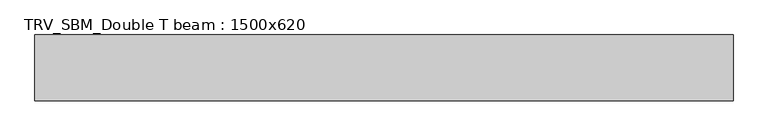
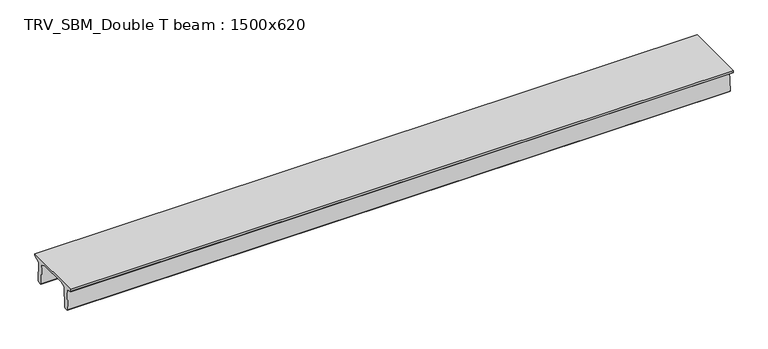
"""IFC4 building model written with IfcOpenShell, lengths in millimetres: beam geometry, TRV_SBM_Double T beam : 1500x620."""

import ifcopenshell
import ifcopenshell.guid

model = None  # the IFC model being written
_history = None  # IfcOwnerHistory: only IFC2X3 demands one
_inside = {}  # id of a spatial element -> (the spatial element, [elements in it])
_under = {}  # id of a project, library or spatial element -> (it, [spatial elements below it])
_declared = {}  # id of a project -> (the project, [libraries it declares])
_typed = {}  # id of a type object -> (the type object, [elements of that type])
_made_of = {}  # id of a material, layer set ... -> (it, [elements and type objects made of it])


def new_model(schema):
    """Start an empty IFC model of exactly this schema.

    Asked for "IFC4X3", IfcOpenShell would pick the latest addendum, in which some entities
    have other attributes; the version numbers below select the first issue.
    IFC2X3 requires an IfcOwnerHistory on every rooted entity: one is made here for all.
    """
    global model, _history
    if schema == "IFC4X3":
        model = ifcopenshell.file(schema_version=(4, 3, 0, 0))
    else:
        model = ifcopenshell.file(schema=schema)
    _inside.clear()
    _under.clear()
    _declared.clear()
    _typed.clear()
    _made_of.clear()
    _history = None
    if model.schema == "IFC2X3":
        org = make("IfcOrganization", Name="unknown")
        user = make(
            "IfcPersonAndOrganization",
            ThePerson=make("IfcPerson", FamilyName="unknown"),
            TheOrganization=org,
        )
        app = make(
            "IfcApplication",
            ApplicationDeveloper=org,
            Version="unknown",
            ApplicationFullName="unknown",
            ApplicationIdentifier="unknown",
        )
        _history = make(
            "IfcOwnerHistory",
            OwningUser=user,
            OwningApplication=app,
            ChangeAction="ADDED",
            CreationDate=0,
        )
    return model


def make(cls, **values):
    """One entity of the class cls with the attributes given. An attribute that is None is left unset."""
    return model.create_entity(
        cls, **{name: value for name, value in values.items() if value is not None}
    )


def rooted(cls, **values):
    """An entity with a GlobalId (a new one), such as an element, a storey or a relation."""
    return make(cls, GlobalId=ifcopenshell.guid.new(), OwnerHistory=_history, **values)


def si_unit(unit_type, name, prefix=None):
    """IfcSIUnit, for example si_unit("LENGTHUNIT", "METRE", prefix="MILLI")."""
    return make("IfcSIUnit", UnitType=unit_type, Prefix=prefix, Name=name)


def assignment(units):
    """IfcUnitAssignment: the units of a project."""
    return None if units is None else make("IfcUnitAssignment", Units=units)


def point(xyz):
    """IfcCartesianPoint."""
    return None if xyz is None else make("IfcCartesianPoint", Coordinates=xyz)


def direction(xyz):
    """IfcDirection."""
    return None if xyz is None else make("IfcDirection", DirectionRatios=xyz)


def frame(location, z_axis=None, x_axis=None):
    """IfcAxis2Placement3D, a coordinate frame: its origin and axes. An axis left out is left unset."""
    return make(
        "IfcAxis2Placement3D",
        Location=point(location),
        Axis=direction(z_axis),
        RefDirection=direction(x_axis),
    )


def origin():
    """The frame at (0, 0, 0) with its axes left unset."""
    return frame((0.0, 0.0, 0.0))


def place(relative_to, where):
    """IfcLocalPlacement: puts the frame where relative to a parent placement (None: the world)."""
    return make(
        "IfcLocalPlacement", PlacementRelTo=relative_to, RelativePlacement=where
    )


def context(
    kind, dimensions, precision=None, world=None, true_north=None, identifier=None
):
    """IfcGeometricRepresentationContext, for example the 3D "Model" context."""
    return make(
        "IfcGeometricRepresentationContext",
        ContextIdentifier=identifier,
        ContextType=kind,
        CoordinateSpaceDimension=dimensions,
        Precision=precision,
        WorldCoordinateSystem=world,
        TrueNorth=true_north,
    )


def project(units=None, contexts=None):
    """IfcProject with its units and contexts."""
    return rooted(
        "IfcProject",
        Name="project",
        RepresentationContexts=contexts,
        UnitsInContext=assignment(units),
    )


def spatial(cls, under=None, at=None, **own):
    """A site, building, storey or space (cls), placed at a placement, below another one or the project."""
    s = rooted(cls, ObjectPlacement=at, **own)
    if under is not None:
        _under.setdefault(under.id(), (under, []))[1].append(s)
    return s


def polyline(points):
    """IfcPolyline through the points."""
    return make("IfcPolyline", Points=[point(p) for p in points])


def outline(outer, holes=None, kind="AREA"):
    """IfcArbitraryClosedProfileDef: a profile drawn as a closed curve; with holes, ...WithVoids."""
    if holes is None:
        return make("IfcArbitraryClosedProfileDef", ProfileType=kind, OuterCurve=outer)
    return make(
        "IfcArbitraryProfileDefWithVoids",
        ProfileType=kind,
        OuterCurve=outer,
        InnerCurves=holes,
    )


def extrude(swept, where, along, depth):
    """IfcExtrudedAreaSolid: the profile swept, set in the frame where, extruded along a direction by depth."""
    return make(
        "IfcExtrudedAreaSolid",
        SweptArea=swept,
        Position=where,
        ExtrudedDirection=direction(along),
        Depth=depth,
    )


def shape(context_of_items, identifier, shape_type, items):
    """IfcShapeRepresentation: the items that make up one representation, for example the "Body"."""
    return make(
        "IfcShapeRepresentation",
        ContextOfItems=context_of_items,
        RepresentationIdentifier=identifier,
        RepresentationType=shape_type,
        Items=items,
    )


def source(mapping_origin, context_of_items, identifier, shape_type, items):
    """IfcRepresentationMap: a shape defined once, which mapped items show again and again."""
    return make(
        "IfcRepresentationMap",
        MappingOrigin=mapping_origin,
        MappedRepresentation=shape(context_of_items, identifier, shape_type, items),
    )


def transform(
    local_origin,
    x_axis=None,
    y_axis=None,
    z_axis=None,
    scale=None,
    scale2=None,
    scale3=None,
    uniform=True,
):
    """IfcCartesianTransformationOperator3D, or its non-uniform kind. x_axis, y_axis, z_axis: its Axis1, 2, 3."""
    if uniform:
        return make(
            "IfcCartesianTransformationOperator3D",
            Axis1=direction(x_axis),
            Axis2=direction(y_axis),
            LocalOrigin=point(local_origin),
            Scale=scale,
            Axis3=direction(z_axis),
        )
    return make(
        "IfcCartesianTransformationOperator3DnonUniform",
        Axis1=direction(x_axis),
        Axis2=direction(y_axis),
        LocalOrigin=point(local_origin),
        Scale=scale,
        Axis3=direction(z_axis),
        Scale2=scale2,
        Scale3=scale3,
    )


def mapped(mapping_source, mapping_target):
    """IfcMappedItem: shows the shape of a source again, moved by a transform."""
    return make(
        "IfcMappedItem", MappingSource=mapping_source, MappingTarget=mapping_target
    )


def made_of(thing, what):
    """Note that an element or type object is made of a material, layer set ...; save() writes the relation."""
    if what is not None:
        _made_of.setdefault(what.id(), (what, []))[1].append(thing)
    return thing


def element(
    cls,
    number,
    at=None,
    inside=None,
    cuts=None,
    type_object=None,
    material=None,
    context=None,
    identifier="Body",
    shape_type=None,
    held_by="IfcProductDefinitionShape",
    body=None,
    shapes=None,
    **own,
):
    """One element of the class cls, such as IfcWall. Its Tag is "e" and its number.

    at: its placement. inside: the storey or other place that contains it. cuts: it is an
    opening in that element (IfcRelVoidsElement). A single representation is given by context,
    identifier, shape_type and body (its items); several are given by shapes. held_by: the class
    of the entity that holds the representations. save() writes the other relations.
    """
    e = rooted(cls, Tag="e%d" % number, ObjectPlacement=at, **own)
    if body is not None:
        shapes = [shape(context, identifier, shape_type, body)]
    if shapes is not None:
        e.Representation = make(held_by, Representations=shapes)
    if inside is not None:
        _inside.setdefault(inside.id(), (inside, []))[1].append(e)
    if cuts is not None:
        rooted(
            "IfcRelVoidsElement", RelatingBuildingElement=cuts, RelatedOpeningElement=e
        )
    if type_object is not None:
        _typed.setdefault(type_object.id(), (type_object, []))[1].append(e)
    return made_of(e, material)


def aggregate(whole, parts):
    """IfcRelAggregates: a whole, such as a stair, and the parts it consists of."""
    return rooted("IfcRelAggregates", RelatingObject=whole, RelatedObjects=parts)


def save(model, path):
    """Write the relations noted so far, then the file.

    IfcRelAggregates (storeys below a building ...), IfcRelContainedInSpatialStructure (elements
    in a storey), IfcRelDefinesByType, IfcRelAssociatesMaterial and IfcRelDeclares: one each for
    every whole, place, type object, material and project.
    """
    for whole, parts in _under.values():
        aggregate(whole, parts)
    for where, things in _inside.values():
        rooted(
            "IfcRelContainedInSpatialStructure",
            RelatedElements=things,
            RelatingStructure=where,
        )
    for kind, things in _typed.values():
        rooted("IfcRelDefinesByType", RelatedObjects=things, RelatingType=kind)
    for what, things in _made_of.values():
        rooted("IfcRelAssociatesMaterial", RelatedObjects=things, RelatingMaterial=what)
    for by, libraries in _declared.values():
        rooted("IfcRelDeclares", RelatingContext=by, RelatedDefinitions=libraries)
    model.write(path)


def trv_sbm_double_t_beam_1500x620_5b6194df(model_context):
    return source(origin(), model_context, "Body", "SweptSolid", [
        extrude(outline(polyline([(-765.0, 215.0), (-765.0, 260.0), (735.0, 260.0), (735.0, 215.0), (728.2094488, 201.315559), (578.0626443, 140.6523122), (594.8277662, -339.4379646), (574.2657308, -360.0), (484.2657308, -360.0), (464.786332, -340.5206011), (447.8600761, 144.18395), (338.3237744, 210.0), (-367.4555014, 210.0), (-476.5389732, 151.9992892), (-507.0080378, -339.3850967), (-527.622941, -360.0), (-615.122941, -360.0), (-637.1143055, -338.0086356), (-606.1572167, 162.687806), (-761.3068466, 204.260024), (-765.0, 215.0)])), frame((-7913.0, 0.0, 0.0), z_axis=(1.0, 0.0, 0.0), x_axis=(0.0, 1.0, 0.0)), (0.0, 0.0, 1.0), 15903.0),
    ])


if __name__ == "__main__":
    model = new_model("IFC4")
    model_context = context("Model", 3, world=origin())
    ifc_project = project(units=[si_unit("LENGTHUNIT", "METRE", prefix="MILLI")], contexts=[model_context])
    site = spatial("IfcSite", under=ifc_project)
    building = spatial("IfcBuilding", under=site)
    placement = place(None, origin())
    trv_sbm_double_t_beam_1500x620_shape = trv_sbm_double_t_beam_1500x620_5b6194df(model_context)
    element("IfcBeam", 1, ObjectType="TRV_SBM_Double T beam : 1500x620", at=placement, inside=building, context=model_context, shape_type="MappedRepresentation", body=[
        mapped(trv_sbm_double_t_beam_1500x620_shape, transform((0.0, 0.0, 0.0), x_axis=(1.0, 0.0, 0.0), y_axis=(0.0, 1.0, 0.0), z_axis=(0.0, 0.0, 1.0))),
    ])
    save(model, "model.ifc")
